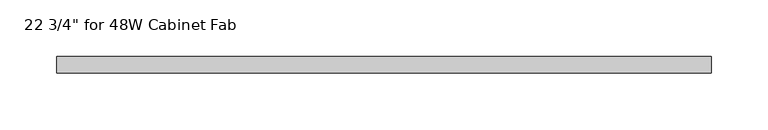
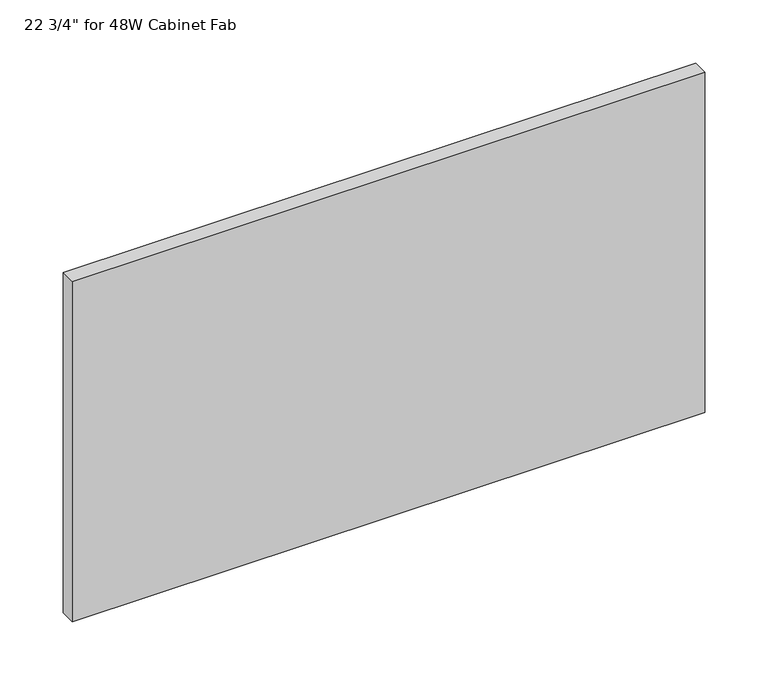
"""IFC4 building model written with IfcOpenShell, lengths in millimetres: furniture geometry."""

from ifc_helpers import new_model, si_unit, frame, origin, place, context, project, spatial, polyline, outline, extrude, source, transform, mapped, element, save


def furniture_460646d8(model_context):
    return source(origin(), model_context, "Body", "SweptSolid", [
        extrude(outline(polyline([(288.925, -33.8601849), (288.925, -48.5445599), (-288.925, -48.5445599), (-288.925, -33.8601849), (288.925, -33.8601849)])), frame((0.0, 0.0, 1079.5), z_axis=(0.0, 0.0, 1.0), x_axis=(1.0, 0.0, 0.0)), (0.0, 0.0, 1.0), 328.9101562),
    ])


if __name__ == "__main__":
    model = new_model("IFC4")
    model_context = context("Model", 3, world=origin())
    ifc_project = project(units=[si_unit("LENGTHUNIT", "METRE", prefix="MILLI")], contexts=[model_context])
    site = spatial("IfcSite", under=ifc_project)
    building = spatial("IfcBuilding", under=site)
    placement = place(None, origin())
    furniture_shape = furniture_460646d8(model_context)
    element("IfcFurniture", 1, ObjectType="22 3/4\" for 48W Cabinet Fab", at=placement, inside=building, context=model_context, shape_type="MappedRepresentation", body=[
        mapped(furniture_shape, transform((0.0, 0.0, 0.0), x_axis=(1.0, 0.0, 0.0), y_axis=(0.0, 1.0, 0.0), z_axis=(0.0, 0.0, 1.0))),
    ])
    save(model, "model.ifc")
